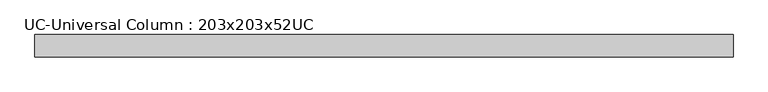
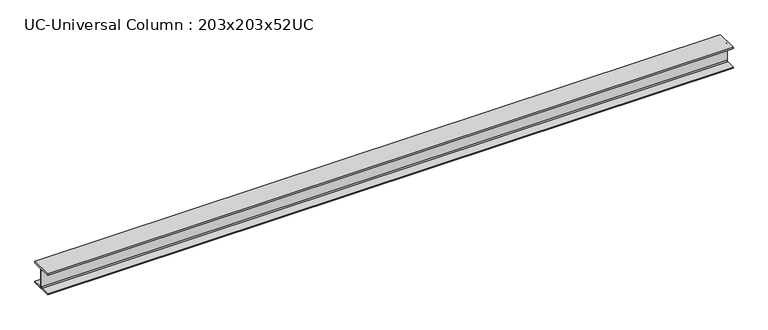
"""IFC4 building model written with IfcOpenShell, lengths in millimetres: beam geometry, UC-Universal Column : 203x203x52UC."""

from ifc_helpers import new_model, si_unit, point, frame, frame_2d, origin, place, context, project, spatial, polyline, circle_curve, trimmed, segment, composite_curve, outline, extrude, source, transform, mapped, element, save


def uc_universal_column_203x203x52uc_297ec80e(model_context):
    return source(origin(), model_context, "Body", "SweptSolid", [
        extrude(outline(composite_curve([segment(polyline([(102.15, -90.6), (102.15, -103.1), (-102.15, -103.1), (-102.15, -90.6), (-14.15, -90.6)]), True, "CONTINUOUS"), segment(trimmed(circle_curve(frame_2d((-14.15, -80.4)), 10.2), [point((-14.15, -90.6))], [point((-3.95, -80.4))], True, "CARTESIAN"), True, "CONTINUOUS"), segment(polyline([(-3.95, -80.4), (-3.95, 80.4)]), True, "CONTINUOUS"), segment(trimmed(circle_curve(frame_2d((-14.15, 80.4)), 10.2), [point((-3.95, 80.4))], [point((-14.15, 90.6))], True, "CARTESIAN"), True, "CONTINUOUS"), segment(polyline([(-14.15, 90.6), (-102.15, 90.6), (-102.15, 103.1), (102.15, 103.1), (102.15, 90.6), (14.15, 90.6)]), True, "CONTINUOUS"), segment(trimmed(circle_curve(frame_2d((14.15, 80.4)), 10.2), [point((14.15, 90.6))], [point((3.95, 80.4))], True, "CARTESIAN"), True, "CONTINUOUS"), segment(polyline([(3.95, 80.4), (3.95, -80.4)]), True, "CONTINUOUS"), segment(trimmed(circle_curve(frame_2d((14.15, -80.4)), 10.2), [point((3.95, -80.4))], [point((14.15, -90.6))], True, "CARTESIAN"), True, "CONTINUOUS"), segment(polyline([(14.15, -90.6), (102.15, -90.6)]), True, "CONTINUOUS")], self_intersect=False)), frame((-3048.0, 0.0, 0.0), z_axis=(1.0, 0.0, 0.0), x_axis=(0.0, 1.0, 0.0)), (0.0, 0.0, 1.0), 6402.8313899),
    ])


if __name__ == "__main__":
    model = new_model("IFC4")
    model_context = context("Model", 3, world=origin())
    ifc_project = project(units=[si_unit("LENGTHUNIT", "METRE", prefix="MILLI")], contexts=[model_context])
    site = spatial("IfcSite", under=ifc_project)
    building = spatial("IfcBuilding", under=site)
    placement = place(None, origin())
    uc_universal_column_203x203x52uc_shape = uc_universal_column_203x203x52uc_297ec80e(model_context)
    element("IfcBeam", 1, ObjectType="UC-Universal Column : 203x203x52UC", at=placement, inside=building, context=model_context, shape_type="MappedRepresentation", body=[
        mapped(uc_universal_column_203x203x52uc_shape, transform((0.0, 0.0, 0.0), x_axis=(1.0, 0.0, 0.0), y_axis=(0.0, 1.0, 0.0), z_axis=(0.0, 0.0, 1.0))),
    ])
    save(model, "model.ifc")
